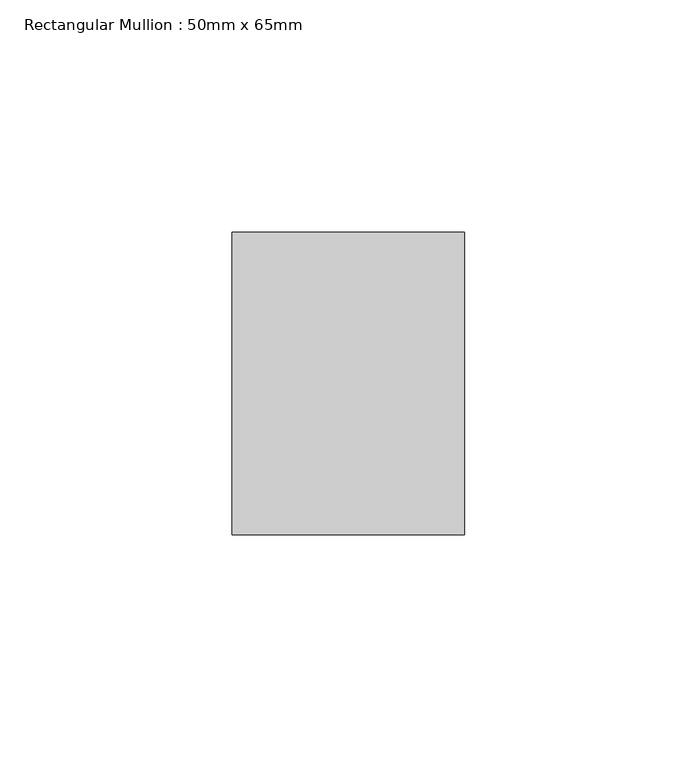
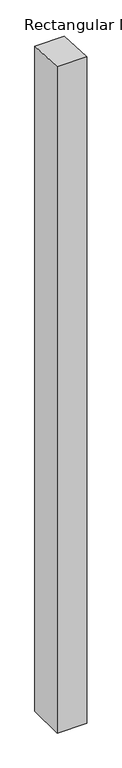
"""IFC4 building model written with IfcOpenShell, lengths in millimetres: member geometry, Rectangular Mullion : 50mm x 65mm."""

from ifc_helpers import new_model, si_unit, origin, place, context, project, spatial, faceted_brep, source, transform, mapped, element, save


def rectangular_mullion_50mm_x_65mm_cdb0ed10(model_context):
    return source(origin(), model_context, "Body", "Brep", [
        faceted_brep([(25.0, 32.5, -1189.1179675), (25.0, -32.5, -1189.1179675), (-25.0, -32.5, -1189.1179675), (-25.0, 32.5, -1189.1179675), (-25.0, 32.5, -1.2410911), (25.0, 32.5, -1.2410916), (-25.0, -32.5, 1.2410916), (25.0, -32.5, 1.2410911)], [[[0, 1, 2, 3]], [[4, 5, 0, 3]], [[6, 4, 3, 2]], [[7, 6, 2, 1]], [[5, 7, 1, 0]], [[5, 4, 6, 7]]]),
    ])


if __name__ == "__main__":
    model = new_model("IFC4")
    model_context = context("Model", 3, world=origin())
    ifc_project = project(units=[si_unit("LENGTHUNIT", "METRE", prefix="MILLI")], contexts=[model_context])
    site = spatial("IfcSite", under=ifc_project)
    building = spatial("IfcBuilding", under=site)
    placement = place(None, origin())
    rectangular_mullion_50mm_x_65mm_shape = rectangular_mullion_50mm_x_65mm_cdb0ed10(model_context)
    element("IfcMember", 1, ObjectType="Rectangular Mullion : 50mm x 65mm", at=placement, inside=building, context=model_context, shape_type="MappedRepresentation", body=[
        mapped(rectangular_mullion_50mm_x_65mm_shape, transform((0.0, 0.0, 0.0), x_axis=(1.0, 0.0, 0.0), y_axis=(0.0, 1.0, 0.0), z_axis=(0.0, 0.0, 1.0))),
    ])
    save(model, "model.ifc")
